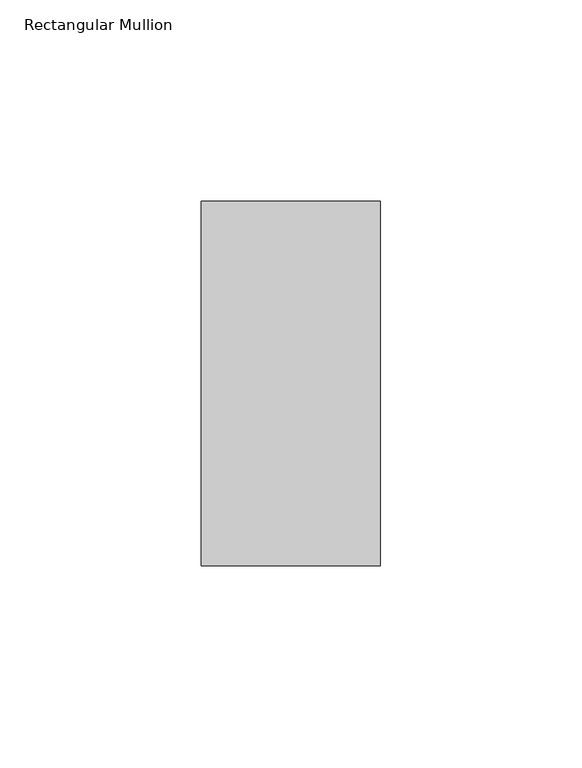
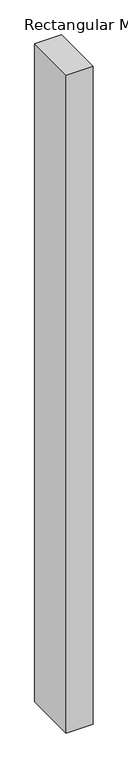
"""IFC4 building model written with IfcOpenShell, lengths in millimetres: member geometry, Rectangular Mullion."""

from ifc_helpers import new_model, si_unit, frame, origin, place, context, project, spatial, polyline, outline, extrude, source, transform, mapped, element, save


def rectangular_mullion_e6e258ec(model_context):
    return source(origin(), model_context, "Body", "SweptSolid", [
        extrude(outline(polyline([(22.225, 45.2274954), (22.225, -45.2274954), (-22.225, -45.2274954), (-22.225, 45.2274954), (22.225, 45.2274954)])), frame((0.0, 0.0, -1152.5628155), z_axis=(0.0, 0.0, 1.0), x_axis=(1.0, 0.0, 0.0)), (0.0, 0.0, 1.0), 1152.5628155),
    ])


if __name__ == "__main__":
    model = new_model("IFC4")
    model_context = context("Model", 3, world=origin())
    ifc_project = project(units=[si_unit("LENGTHUNIT", "METRE", prefix="MILLI")], contexts=[model_context])
    site = spatial("IfcSite", under=ifc_project)
    building = spatial("IfcBuilding", under=site)
    placement = place(None, origin())
    rectangular_mullion_shape = rectangular_mullion_e6e258ec(model_context)
    element("IfcMember", 1, ObjectType="Rectangular Mullion", at=placement, inside=building, context=model_context, shape_type="MappedRepresentation", body=[
        mapped(rectangular_mullion_shape, transform((0.0, 0.0, 0.0), x_axis=(1.0, 0.0, 0.0), y_axis=(0.0, 1.0, 0.0), z_axis=(0.0, 0.0, 1.0))),
    ])
    save(model, "model.ifc")
